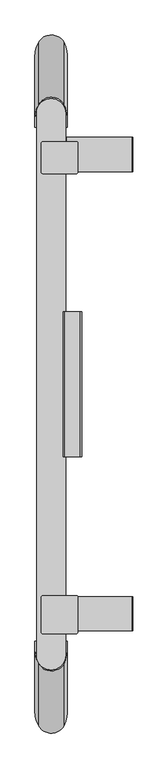
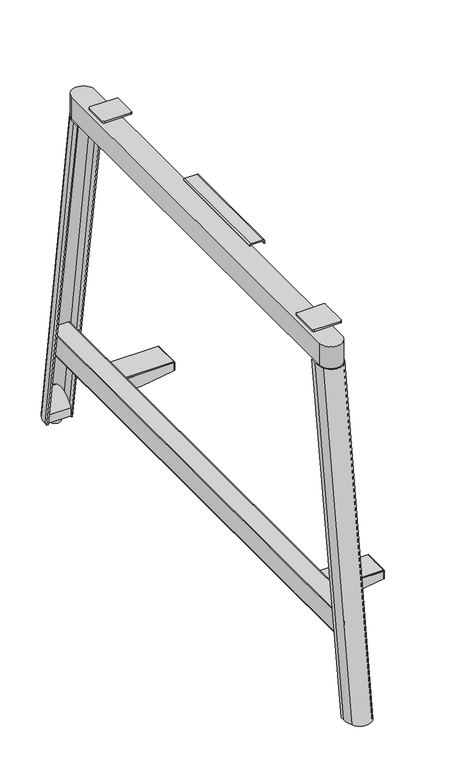
"""IFC4 building model written with IfcOpenShell, lengths in millimetres: furniture geometry."""

from ifc_helpers import new_model, si_unit, point, frame, frame_2d, origin, place, context, project, spatial, polyline, circle_curve, ellipse_curve, trimmed, segment, composite_curve, outline, extrude, source, transform, mapped, element, save
from ifc_brep_helpers import plane_surface, cylinder_surface, extruded_surface, advanced_brep


def furniture_5c460e32(model_context):
    return source(origin(), model_context, "Body", "SolidModel", [
        extrude(outline(polyline([(247.1098626, 204.7509062), (247.1098626, 71.0011458), (213.0002781, 71.0011458), (213.0002781, 120.0296955), (226.0006492, 204.7509062), (247.1098626, 204.7509062)])), frame((0.0, 477.7103427, 0.0), z_axis=(0.0, 1.0, 0.0), x_axis=(0.0, 0.0, 1.0)), (0.0, 0.0, 1.0), 2.5699868),
        extrude(outline(polyline([(247.1098626, 204.7509062), (247.1098626, 71.0011458), (213.0002781, 71.0011458), (213.0002781, 120.0296955), (226.0006492, 204.7509062), (247.1098626, 204.7509062)])), frame((0.0, 410.3119052, 0.0), z_axis=(0.0, 1.0, 0.0), x_axis=(0.0, 0.0, 1.0)), (0.0, 0.0, 1.0), 2.5976563),
        extrude(outline(composite_curve([segment(polyline([(249.9945153, 204.3893194), (249.9945153, 71.2790115)]), True, "CONTINUOUS"), segment(trimmed(circle_curve(frame_2d((247.3393732, 71.2790115)), 2.6551421), [point((249.9945153, 71.2790115))], [point((247.3393732, 68.6238694))], False, "CARTESIAN"), True, "CONTINUOUS"), segment(polyline([(247.3393732, 68.6238694), (215.1802751, 68.6238694)]), True, "CONTINUOUS"), segment(trimmed(circle_curve(frame_2d((215.1802751, 66.4438379)), 2.1800315), [point((215.1802751, 68.6238694))], [point((213.0002436, 66.4438379))], True, "CARTESIAN"), True, "CONTINUOUS"), segment(polyline([(213.0002436, 66.4438379), (213.0002436, 45.6962116), (211.1704919, 45.6962116), (211.1704919, 68.4397052)]), True, "CONTINUOUS"), segment(trimmed(circle_curve(frame_2d((213.7319325, 68.4397052)), 2.5614406), [point((211.1704919, 68.4397052))], [point((213.7319325, 71.0011458))], False, "CARTESIAN"), True, "CONTINUOUS"), segment(polyline([(213.7319325, 71.0011458), (247.1098626, 71.0011458), (247.1098626, 204.7509062), (226.0006492, 204.7509062), (226.0006492, 206.692303), (247.6915317, 206.692303)]), True, "CONTINUOUS"), segment(trimmed(circle_curve(frame_2d((247.6915317, 204.3893194)), 2.3029836), [point((247.6915317, 206.692303))], [point((249.9945153, 204.3893194))], False, "CARTESIAN"), True, "CONTINUOUS")], self_intersect=False)), frame((0.0, 410.3119052, 0.0), z_axis=(0.0, 1.0, 0.0), x_axis=(0.0, 0.0, 1.0)), (0.0, 0.0, 1.0), 69.9684243),
        extrude(outline(polyline([(247.1098626, 204.7509062), (247.1098626, 71.0011458), (213.0002781, 71.0011458), (213.0002781, 120.0296955), (226.0006492, 204.7509062), (247.1098626, 204.7509062)])), frame((0.0, -529.6861417, 0.0), z_axis=(0.0, 1.0, 0.0), x_axis=(0.0, 0.0, 1.0)), (0.0, 0.0, 1.0), 2.5976563),
        extrude(outline(polyline([(247.1098626, 204.7509062), (247.1098626, 71.0011458), (213.0002781, 71.0011458), (213.0002781, 120.0296955), (226.0006492, 204.7509062), (247.1098626, 204.7509062)])), frame((0.0, -462.2877042, 0.0), z_axis=(0.0, 1.0, 0.0), x_axis=(0.0, 0.0, 1.0)), (0.0, 0.0, 1.0), 2.5883215),
        extrude(outline(composite_curve([segment(polyline([(249.9945153, 204.3893194), (249.9945153, 71.2790115)]), True, "CONTINUOUS"), segment(trimmed(circle_curve(frame_2d((247.3393732, 71.2790115)), 2.6551421), [point((249.9945153, 71.2790115))], [point((247.3393732, 68.6238694))], False, "CARTESIAN"), True, "CONTINUOUS"), segment(polyline([(247.3393732, 68.6238694), (215.1802751, 68.6238694)]), True, "CONTINUOUS"), segment(trimmed(circle_curve(frame_2d((215.1802751, 66.4438379)), 2.1800315), [point((215.1802751, 68.6238694))], [point((213.0002436, 66.4438379))], True, "CARTESIAN"), True, "CONTINUOUS"), segment(polyline([(213.0002436, 66.4438379), (213.0002436, 45.6962116), (211.1704919, 45.6962116), (211.1704919, 68.4397052)]), True, "CONTINUOUS"), segment(trimmed(circle_curve(frame_2d((213.7319325, 68.4397052)), 2.5614406), [point((211.1704919, 68.4397052))], [point((213.7319325, 71.0011458))], False, "CARTESIAN"), True, "CONTINUOUS"), segment(polyline([(213.7319325, 71.0011458), (247.1098626, 71.0011458), (247.1098626, 204.7509062), (226.0006492, 204.7509062), (226.0006492, 206.692303), (247.6915317, 206.692303)]), True, "CONTINUOUS"), segment(trimmed(circle_curve(frame_2d((247.6915317, 204.3893194)), 2.3029836), [point((247.6915317, 206.692303))], [point((249.9945153, 204.3893194))], False, "CARTESIAN"), True, "CONTINUOUS")], self_intersect=False)), frame((0.0, -529.6861417, 0.0), z_axis=(0.0, 1.0, 0.0), x_axis=(0.0, 0.0, 1.0)), (0.0, 0.0, 1.0), 69.986759),
        extrude(outline(composite_curve([segment(trimmed(circle_curve(frame_2d((215.434677, 62.5655666)), 2.4344334), [point((213.0002436, 62.5655666))], [point((215.434677, 65.0))], False, "CARTESIAN"), True, "CONTINUOUS"), segment(polyline([(215.434677, 65.0), (271.0148288, 65.0)]), True, "CONTINUOUS"), segment(trimmed(circle_curve(frame_2d((271.0148288, 63.0151407)), 1.9848593), [point((271.0148288, 65.0))], [point((272.9996881, 63.0151407))], False, "CARTESIAN"), True, "CONTINUOUS"), segment(polyline([(272.9996881, 63.0151407), (272.9996881, 14.7788126)]), True, "CONTINUOUS"), segment(trimmed(circle_curve(frame_2d((270.8389791, 14.7788126)), 2.160709), [point((272.9996881, 14.7788126))], [point((270.8389791, 12.6181036))], False, "CARTESIAN"), True, "CONTINUOUS"), segment(polyline([(270.8389791, 12.6181036), (215.3933211, 12.6181036)]), True, "CONTINUOUS"), segment(trimmed(circle_curve(frame_2d((215.3933211, 15.0111811)), 2.3930774), [point((215.3933211, 12.6181036))], [point((213.0002436, 15.0111811))], False, "CARTESIAN"), True, "CONTINUOUS"), segment(polyline([(213.0002436, 15.0111811), (213.0002436, 62.5655666)]), True, "CONTINUOUS")], self_intersect=False)), frame((0.0, -685.1562811, 0.0), z_axis=(0.0, 1.0, 0.0), x_axis=(0.0, 0.0, 1.0)), (0.0, 0.0, 1.0), 1320.9375622),
        advanced_brep(
        [(6.0, 635.7812811, 9.9999392), (6.0, 645.7065799, 9.9999392), (12.3278754, 673.1778157, 9.9999392), (65.9903208, 673.7603717, 9.9999392), (72.000002, 648.907064, 9.9999392), (72.000002, 635.7812811, 9.9999392), (68.8203133, 635.7812811, 9.9999392), (68.8203133, 648.907064, 9.9999392), (64.8959051, 669.4877121, 9.9999392), (13.8271404, 669.176268, 9.9999392), (9.4999998, 645.7065799, 9.9999392), (9.4999998, 635.7812811, 9.9999392), (6.0, 501.0025911, 910.214177), (9.4999998, 501.0025911, 910.214177), (9.4999998, 518.2065799, 910.214177), (13.8271404, 541.676268, 910.214177), (64.8959051, 541.9877121, 910.214177), (68.8203133, 521.407064, 910.214177), (68.8203133, 501.0025911, 910.214177), (72.000002, 501.0025911, 910.214177), (72.000002, 521.407064, 910.214177), (65.9903208, 546.2603717, 910.214177), (12.3278754, 545.6778157, 910.214177), (6.0, 518.2065799, 910.214177)],
        [
            (0, 1),
            (1, 2, circle_curve(frame((68.794442, 645.7065799, 9.9999392), z_axis=(0.0, 0.0, -1.0), x_axis=(1.0, 0.0, 0.0)), 62.794442)),
            (2, 3, circle_curve(frame((39.3047374, 660.0534523, 9.9999392), z_axis=(0.0, 0.0, -1.0), x_axis=(1.0, 0.0, 0.0)), 30.0)),
            (3, 4, circle_curve(frame((17.6041738, 648.907064, 9.9999392), z_axis=(0.0, 0.0, -1.0), x_axis=(1.0, 0.0, 0.0)), 54.3958282)),
            (4, 5),
            (5, 6),
            (6, 7),
            (7, 8, circle_curve(frame((12.8928932, 648.907064, 9.9999392), z_axis=(0.0, 0.0, 1.0), x_axis=(1.0, 0.0, 0.0)), 55.9274201)),
            (8, 9, circle_curve(frame((39.4220553, 659.4062126, 9.9999392), z_axis=(0.0, 0.0, 1.0), x_axis=(1.0, 0.0, 0.0)), 27.3962343)),
            (9, 10, circle_curve(frame((75.3114051, 645.7065799, 9.9999392), z_axis=(0.0, 0.0, 1.0), x_axis=(1.0, 0.0, 0.0)), 65.8114053)),
            (10, 11),
            (11, 0),
            (12, 13),
            (13, 14),
            (14, 15, circle_curve(frame((75.3114051, 518.2065799, 910.214177), z_axis=(0.0, 0.0, -1.0), x_axis=(1.0, 0.0, 0.0)), 65.8114053)),
            (15, 16, circle_curve(frame((39.4220553, 531.9062126, 910.214177), z_axis=(0.0, 0.0, -1.0), x_axis=(1.0, 0.0, 0.0)), 27.3962343)),
            (16, 17, circle_curve(frame((12.8928932, 521.407064, 910.214177), z_axis=(0.0, 0.0, -1.0), x_axis=(1.0, 0.0, 0.0)), 55.9274201)),
            (17, 18),
            (18, 19),
            (19, 20),
            (20, 21, circle_curve(frame((17.6041738, 521.407064, 910.214177), z_axis=(0.0, 0.0, 1.0), x_axis=(1.0, 0.0, 0.0)), 54.3958282)),
            (21, 22, circle_curve(frame((39.3047374, 532.5534523, 910.214177), z_axis=(0.0, 0.0, 1.0), x_axis=(1.0, 0.0, 0.0)), 30.0)),
            (22, 23, circle_curve(frame((68.794442, 518.2065799, 910.214177), z_axis=(0.0, 0.0, 1.0), x_axis=(1.0, 0.0, 0.0)), 62.794442)),
            (23, 12),
            (13, 11),
            (10, 14),
            (9, 15),
            (8, 16),
            (7, 17),
            (6, 18),
            (19, 5),
            (4, 20),
            (3, 21),
            (2, 22),
            (1, 23),
            (0, 12),
        ],
        [
            plane_surface(frame((39.140156, 651.496215, 9.9999392), z_axis=(0.0, 0.0, -1.0), x_axis=(0.0, -1.0, 0.0))),
            plane_surface(frame((39.140156, 521.569985, 910.214177), z_axis=(0.0, 0.0, 1.0), x_axis=(0.0, -1.0, 0.0))),
            plane_surface(frame((9.4999998, 509.6045855, 910.214177), z_axis=(1.0, 0.0, 0.0), x_axis=(0.0, -1.0, 0.0))),
            extruded_surface(trimmed(circle_curve(frame((75.3114051, 518.2065799, 910.214177), z_axis=(0.0, 0.0, 1.0), x_axis=(1.0, 0.0, 0.0)), 65.8114053), [point((13.8271404, 541.676268, 910.214177))], [point((9.4999998, 518.2065799, 910.214177))], True, "CARTESIAN"), (0.0, 127.5, -900.2142378), 909.1985063438209),
            extruded_surface(trimmed(circle_curve(frame((39.4220553, 531.9062126, 910.214177), z_axis=(0.0, 0.0, 1.0), x_axis=(1.0, 0.0, 0.0)), 27.3962343), [point((64.8959051, 541.9877121, 910.214177))], [point((13.8271404, 541.676268, 910.214177))], True, "CARTESIAN"), (0.0, 127.5, -900.2142378), 909.1985063438209),
            extruded_surface(trimmed(circle_curve(frame((12.8928932, 521.407064, 910.214177), z_axis=(0.0, 0.0, 1.0), x_axis=(1.0, 0.0, 0.0)), 55.9274201), [point((68.8203133, 521.407064, 910.214177))], [point((64.8959051, 541.9877121, 910.214177))], True, "CARTESIAN"), (0.0, 127.5, -900.2142378), 909.1985063438209),
            plane_surface(frame((68.8203133, 511.2048276, 910.214177), z_axis=(-1.0, 0.0, 0.0), x_axis=(0.0, 1.0, 0.0))),
            plane_surface(frame((72.000002, 511.2048276, 910.214177), z_axis=(1.0, 0.0, 0.0), x_axis=(0.0, -1.0, 0.0))),
            extruded_surface(trimmed(circle_curve(frame((17.6041738, 521.407064, 910.214177), z_axis=(0.0, 0.0, -1.0), x_axis=(1.0, 0.0, 0.0)), 54.3958282), [point((65.9903208, 546.2603717, 910.214177))], [point((72.000002, 521.407064, 910.214177))], True, "CARTESIAN"), (0.0, 127.5, -900.2142378), 909.1985063438209),
            extruded_surface(trimmed(circle_curve(frame((39.3047374, 532.5534523, 910.214177), z_axis=(0.0, 0.0, -1.0), x_axis=(1.0, 0.0, 0.0)), 30.0), [point((12.3278754, 545.6778157, 910.214177))], [point((65.9903208, 546.2603717, 910.214177))], True, "CARTESIAN"), (0.0, 127.5, -900.2142378), 909.1985063438209),
            extruded_surface(trimmed(circle_curve(frame((68.794442, 518.2065799, 910.214177), z_axis=(0.0, 0.0, -1.0), x_axis=(1.0, 0.0, 0.0)), 62.794442), [point((6.0, 518.2065799, 910.214177))], [point((12.3278754, 545.6778157, 910.214177))], True, "CARTESIAN"), (0.0, 127.5, -900.2142378), 909.1985063438209),
            plane_surface(frame((6.0, 509.6045855, 910.214177), z_axis=(-1.0, 0.0, 0.0), x_axis=(0.0, 1.0, 0.0))),
            plane_surface(frame((70.4101576, 501.0025911, 910.214177), z_axis=(0.0, -0.9889771617216371, -0.14806813834520582), x_axis=(-1.0, 0.0, 0.0))),
            plane_surface(frame((7.7499999, 501.0025911, 910.214177), z_axis=(0.0, -0.9889771617216371, -0.14806813834520582), x_axis=(-1.0, 0.0, 0.0))),
        ],
        [
            (0, [[1, 2, 3, 4, 5, 6, 7, 8, 9, 10, 11, 12]]),
            (1, [[13, 14, 15, 16, 17, 18, 19, 20, 21, 22, 23, 24]]),
            (2, [[-14, 25, -11, 26]]),
            (3, [[-15, -26, -10, 27]]),
            (4, [[-16, -27, -9, 28]]),
            (5, [[-17, -28, -8, 29]]),
            (6, [[-18, -29, -7, 30]]),
            (7, [[-20, 31, -5, 32]]),
            (8, [[-21, -32, -4, 33]]),
            (9, [[-22, -33, -3, 34]]),
            (10, [[-23, -34, -2, 35]]),
            (11, [[-24, -35, -1, 36]]),
            (12, [[-19, -30, -6, -31]]),
            (13, [[-13, -36, -12, -25]]),
        ],
    ),
        advanced_brep(
        [(54.0138053, 672.6924459, 83.9457941), (24.3065078, 672.6924459, 83.9457941), (68.8203133, 635.7812811, 13.8007201), (9.4999998, 635.7812811, 13.8007201), (9.4999998, 647.0196194, 13.8007201), (68.8203133, 647.0196194, 13.8007201), (68.8203133, 647.0196194, 49.8768028), (68.8203133, 635.7812811, 34.9630241), (9.4999998, 647.0196194, 49.8768028), (9.4999998, 635.7812811, 34.9630241)],
        [
            (0, 1, circle_curve(frame((39.1601565, 647.0196194, 83.9457941), z_axis=(0.0, 0.0, 1.0), x_axis=(1.0, 0.0, 0.0)), 29.6601567)),
            (1, 0),
            (2, 3),
            (3, 4),
            (4, 5, circle_curve(frame((39.1601565, 647.0196194, 13.8007201), z_axis=(0.0, 0.0, -1.0), x_axis=(1.0, 0.0, 0.0)), 29.6601567)),
            (5, 2),
            (5, 6),
            (6, 7),
            (7, 2),
            (4, 8),
            (8, 1, ellipse_curve(frame((39.1601565, 647.0196194, 49.8768028), z_axis=(0.0, 0.7986355100473013, -0.6018150231520372), x_axis=(0.0, 0.6018150231520372, 0.7986355100473012)), 49.284507, 29.6601567)),
            (0, 6, ellipse_curve(frame((39.1601565, 647.0196194, 49.8768028), z_axis=(0.0, 0.7986355100473013, -0.6018150231520372), x_axis=(0.0, 0.6018150231520372, 0.7986355100473012)), 49.284507, 29.6601567)),
            (3, 9),
            (9, 8),
            (7, 9),
        ],
        [
            plane_surface(frame((9.4999998, -684.1310312, 83.9457941), z_axis=(0.0, 0.0, 1.0), x_axis=(-1.0, 0.0, 0.0))),
            plane_surface(frame((9.4999998, -684.1310312, 13.8007201), z_axis=(0.0, 0.0, -1.0), x_axis=(1.0, 0.0, 0.0))),
            plane_surface(frame((68.8203133, 635.7812811, 83.9457941), z_axis=(1.0, 0.0, 0.0), x_axis=(0.0, 0.0, -1.0))),
            cylinder_surface(frame((39.1601565, 647.0196194, 0.0), z_axis=(0.0, 0.0, 1.0), x_axis=(1.0, 0.0, 0.0)), 29.6601567),
            plane_surface(frame((9.4999998, 647.0196194, 83.9457941), z_axis=(-1.0, 0.0, 0.0), x_axis=(0.0, 0.0, -1.0))),
            plane_surface(frame((9.4999998, 635.7812811, 83.9457941), z_axis=(0.0, -1.0, 0.0), x_axis=(0.0, 0.0, -1.0))),
            plane_surface(frame((78.517827, 628.0791209, 24.7419123), z_axis=(0.0, -0.7986355100473013, 0.6018150231520372), x_axis=(-1.0, 0.0, 0.0))),
        ],
        [
            (0, [[1, 2]]),
            (1, [[3, 4, 5, 6]]),
            (2, [[-6, 7, 8, 9]]),
            (3, [[-5, 10, 11, -1, 12, -7]]),
            (4, [[-4, 13, 14, -10]]),
            (5, [[-3, -9, 15, -13]]),
            (6, [[-2, -11, -14, -15, -8, -12]]),
        ],
    ),
        advanced_brep(
        [(25.4867952, -722.0674459, 83.9457941), (52.8335179, -722.0674459, 83.9457941), (68.8203133, -684.1310312, 13.8007201), (68.8203133, -695.7470339, 13.8007201), (9.4999998, -695.7470339, 13.8007201), (9.4999998, -684.1310312, 13.8007201), (9.4999998, -684.1310312, 33.6024715), (68.8203133, -684.1310312, 33.6024715), (9.4999998, -695.7470339, 49.0174277), (68.8203133, -695.7470339, 49.0174277)],
        [
            (0, 1, circle_curve(frame((39.1601565, -695.7470339, 83.9457941), z_axis=(0.0, 0.0, 1.0), x_axis=(1.0, 0.0, 0.0)), 29.6601567)),
            (1, 0),
            (2, 3),
            (3, 4, circle_curve(frame((39.1601565, -695.7470339, 13.8007201), z_axis=(0.0, 0.0, -1.0), x_axis=(1.0, 0.0, 0.0)), 29.6601567)),
            (4, 5),
            (5, 2),
            (5, 6),
            (6, 7),
            (7, 2),
            (4, 8),
            (8, 6),
            (3, 9),
            (9, 1, ellipse_curve(frame((39.1601565, -695.7470339, 49.0174277), z_axis=(0.0, -0.7986355100473009, -0.6018150231520376), x_axis=(0.0, -0.6018150231520377, 0.7986355100473009)), 49.284507, 29.6601567)),
            (0, 8, ellipse_curve(frame((39.1601565, -695.7470339, 49.0174277), z_axis=(0.0, -0.7986355100473009, -0.6018150231520376), x_axis=(0.0, -0.6018150231520377, 0.7986355100473009)), 49.284507, 29.6601567)),
            (7, 9),
        ],
        [
            plane_surface(frame((9.4999998, -684.1310312, 83.9457941), z_axis=(0.0, 0.0, 1.0), x_axis=(-1.0, 0.0, 0.0))),
            plane_surface(frame((9.4999998, -684.1310312, 13.8007201), z_axis=(0.0, 0.0, -1.0), x_axis=(1.0, 0.0, 0.0))),
            plane_surface(frame((68.8203133, -684.1310312, 83.9457941), z_axis=(0.0, 1.0, 0.0), x_axis=(0.0, 0.0, -1.0))),
            plane_surface(frame((9.4999998, -684.1310312, 83.9457941), z_axis=(-1.0, 0.0, 0.0), x_axis=(0.0, 0.0, -1.0))),
            cylinder_surface(frame((39.1601565, -695.7470339, 13.8007201), z_axis=(0.0, 0.0, 1.0), x_axis=(1.0, 0.0, 0.0)), 29.6601567),
            plane_surface(frame((68.8203133, -695.7470339, 83.9457941), z_axis=(1.0, 0.0, 0.0), x_axis=(0.0, 0.0, -1.0))),
            plane_surface(frame((78.517827, -725.5993228, 88.6327531), z_axis=(0.0, 0.7986355100473009, 0.6018150231520376), x_axis=(-1.0, 0.0, 0.0))),
        ],
        [
            (0, [[1, 2]]),
            (1, [[3, 4, 5, 6]]),
            (2, [[-6, 7, 8, 9]]),
            (3, [[-5, 10, 11, -7]]),
            (4, [[-4, 12, 13, -1, 14, -10]]),
            (5, [[-3, -9, 15, -12]]),
            (6, [[-2, -13, -15, -8, -11, -14]]),
        ],
    ),
        advanced_brep(
        [(39.0898793, -706.575, 0.0), (24.8827886, -706.575, 0.0), (53.2969699, -706.575, 0.0), (24.8827886, -706.575, 8.4999997), (53.2969699, -706.575, 8.4999997), (34.0654403, -706.575, 8.4999997), (44.1143182, -706.575, 8.4999997), (34.0654403, -706.575, 16.425781), (44.1143182, -706.575, 16.425781), (39.0898793, -706.575, 16.425781)],
        [
            (0, 1),
            (1, 2, circle_curve(frame((39.0898793, -706.575, 0.0), z_axis=(0.0, 0.0, -1.0), x_axis=(-1.0, 0.0, 0.0)), 14.2070907)),
            (2, 0),
            (2, 1, circle_curve(frame((39.0898793, -706.575, 0.0), z_axis=(0.0, 0.0, -1.0), x_axis=(-1.0, 0.0, 0.0)), 14.2070907)),
            (1, 3),
            (3, 4, circle_curve(frame((39.0898793, -706.575, 8.4999997), z_axis=(0.0, 0.0, -1.0), x_axis=(-1.0, 0.0, 0.0)), 14.2070907)),
            (4, 2),
            (4, 3, circle_curve(frame((39.0898793, -706.575, 8.4999997), z_axis=(0.0, 0.0, -1.0), x_axis=(-1.0, 0.0, 0.0)), 14.2070907)),
            (3, 5),
            (5, 6, circle_curve(frame((39.0898793, -706.575, 8.4999997), z_axis=(0.0, 0.0, -1.0), x_axis=(-1.0, 0.0, 0.0)), 5.024439)),
            (6, 4),
            (6, 5, circle_curve(frame((39.0898793, -706.575, 8.4999997), z_axis=(0.0, 0.0, -1.0), x_axis=(-1.0, 0.0, 0.0)), 5.024439)),
            (5, 7),
            (7, 8, circle_curve(frame((39.0898793, -706.575, 16.425781), z_axis=(0.0, 0.0, -1.0), x_axis=(-1.0, 0.0, 0.0)), 5.024439)),
            (8, 6),
            (8, 7, circle_curve(frame((39.0898793, -706.575, 16.425781), z_axis=(0.0, 0.0, -1.0), x_axis=(-1.0, 0.0, 0.0)), 5.024439)),
            (7, 9),
            (9, 8),
        ],
        [
            plane_surface(frame((39.0898793, -706.575, 0.0), z_axis=(0.0, 0.0, -1.0), x_axis=(-1.0, 0.0, 0.0))),
            cylinder_surface(frame((39.0898793, -706.575, 16.425781), z_axis=(0.0, 0.0, -1.0), x_axis=(-1.0, 0.0, 0.0)), 14.2070907),
            plane_surface(frame((39.0898793, -706.575, 8.4999997), z_axis=(0.0, 0.0, 1.0), x_axis=(-1.0, 0.0, 0.0))),
            cylinder_surface(frame((39.0898793, -706.575, 16.425781), z_axis=(0.0, 0.0, -1.0), x_axis=(-1.0, 0.0, 0.0)), 5.024439),
            plane_surface(frame((39.0898793, -706.575, 16.425781), z_axis=(0.0, 0.0, 1.0), x_axis=(-1.0, 0.0, 0.0))),
        ],
        [
            (0, [[1, 2, 3]]),
            (0, [[-3, 4, -1]]),
            (1, [[-2, 5, 6, 7]]),
            (1, [[-4, -7, 8, -5]]),
            (2, [[-6, 9, 10, 11]]),
            (2, [[-8, -11, 12, -9]]),
            (3, [[-10, 13, 14, 15]]),
            (3, [[-12, -15, 16, -13]]),
            (4, [[-14, 17, 18]]),
            (4, [[-16, -18, -17]]),
        ],
    ),
        advanced_brep(
        [(53.2969699, 657.2, 0.0), (24.8827886, 657.2, 0.0), (39.0898793, 657.2, 0.0), (53.2969699, 657.2, 8.4999997), (24.8827886, 657.2, 8.4999997), (44.1143182, 657.2, 8.4999997), (34.0654403, 657.2, 8.4999997), (44.1143182, 657.2, 16.425781), (34.0654403, 657.2, 16.425781), (39.0898793, 657.2, 16.425781)],
        [
            (0, 1, circle_curve(frame((39.0898793, 657.2, 0.0), z_axis=(0.0, 0.0, -1.0), x_axis=(-1.0, 0.0, 0.0)), 14.2070907)),
            (1, 2),
            (2, 0),
            (1, 0, circle_curve(frame((39.0898793, 657.2, 0.0), z_axis=(0.0, 0.0, -1.0), x_axis=(-1.0, 0.0, 0.0)), 14.2070907)),
            (3, 4, circle_curve(frame((39.0898793, 657.2, 8.4999997), z_axis=(0.0, 0.0, -1.0), x_axis=(-1.0, 0.0, 0.0)), 14.2070907)),
            (4, 1),
            (0, 3),
            (4, 3, circle_curve(frame((39.0898793, 657.2, 8.4999997), z_axis=(0.0, 0.0, -1.0), x_axis=(-1.0, 0.0, 0.0)), 14.2070907)),
            (5, 6, circle_curve(frame((39.0898793, 657.2, 8.4999997), z_axis=(0.0, 0.0, -1.0), x_axis=(-1.0, 0.0, 0.0)), 5.024439)),
            (6, 4),
            (3, 5),
            (6, 5, circle_curve(frame((39.0898793, 657.2, 8.4999997), z_axis=(0.0, 0.0, -1.0), x_axis=(-1.0, 0.0, 0.0)), 5.024439)),
            (7, 8, circle_curve(frame((39.0898793, 657.2, 16.425781), z_axis=(0.0, 0.0, -1.0), x_axis=(-1.0, 0.0, 0.0)), 5.024439)),
            (8, 6),
            (5, 7),
            (8, 7, circle_curve(frame((39.0898793, 657.2, 16.425781), z_axis=(0.0, 0.0, -1.0), x_axis=(-1.0, 0.0, 0.0)), 5.024439)),
            (9, 8),
            (7, 9),
        ],
        [
            plane_surface(frame((39.0898793, 657.2, 0.0), z_axis=(0.0, 0.0, -1.0), x_axis=(-1.0, 0.0, 0.0))),
            cylinder_surface(frame((39.0898793, 657.2, 16.425781), z_axis=(0.0, 0.0, 1.0), x_axis=(-1.0, 0.0, 0.0)), 14.2070907),
            plane_surface(frame((39.0898793, 657.2, 8.4999997), z_axis=(0.0, 0.0, 1.0), x_axis=(-1.0, 0.0, 0.0))),
            cylinder_surface(frame((39.0898793, 657.2, 16.425781), z_axis=(0.0, 0.0, 1.0), x_axis=(-1.0, 0.0, 0.0)), 5.024439),
            plane_surface(frame((39.0898793, 657.2, 16.425781), z_axis=(0.0, 0.0, 1.0), x_axis=(-1.0, 0.0, 0.0))),
        ],
        [
            (0, [[1, 2, 3]]),
            (0, [[4, -3, -2]]),
            (1, [[5, 6, -1, 7]]),
            (1, [[8, -7, -4, -6]]),
            (2, [[9, 10, -5, 11]]),
            (2, [[12, -11, -8, -10]]),
            (3, [[13, 14, -9, 15]]),
            (3, [[16, -15, -12, -14]]),
            (4, [[17, -13, 18]]),
            (4, [[-18, -16, -17]]),
        ],
    ),
        advanced_brep(
        [(6.0, -685.1562811, 9.9999392), (9.4999998, -685.1562811, 9.9999392), (9.4999998, -694.4339943, 9.9999392), (13.8271404, -717.9036824, 9.9999392), (64.8959051, -718.2151265, 9.9999392), (68.8203133, -697.6344785, 9.9999392), (68.8203133, -685.1562811, 9.9999392), (72.000002, -685.1562811, 9.9999392), (72.000002, -697.6344785, 9.9999392), (65.9903208, -722.4877861, 9.9999392), (12.3278754, -721.9052302, 9.9999392), (6.0, -694.4339943, 9.9999392), (6.0, -551.0025911, 910.214177), (6.0, -567.5589943, 910.214177), (12.3278754, -595.0302302, 910.214177), (65.9903208, -595.6127861, 910.214177), (72.000002, -570.7594785, 910.214177), (72.000002, -551.0025911, 910.214177), (68.8203133, -551.0025911, 910.214177), (68.8203133, -570.7594785, 910.214177), (64.8959051, -591.3401265, 910.214177), (13.8271404, -591.0286824, 910.214177), (9.4999998, -567.5589943, 910.214177), (9.4999998, -551.0025911, 910.214177)],
        [
            (0, 1),
            (1, 2),
            (2, 3, circle_curve(frame((75.3114051, -694.4339943, 9.9999392), z_axis=(0.0, 0.0, 1.0), x_axis=(1.0, 0.0, 0.0)), 65.8114053)),
            (3, 4, circle_curve(frame((39.4220553, -708.1336271, 9.9999392), z_axis=(0.0, 0.0, 1.0), x_axis=(1.0, 0.0, 0.0)), 27.3962343)),
            (4, 5, circle_curve(frame((12.8928932, -697.6344785, 9.9999392), z_axis=(0.0, 0.0, 1.0), x_axis=(1.0, 0.0, 0.0)), 55.9274201)),
            (5, 6),
            (6, 7),
            (7, 8),
            (8, 9, circle_curve(frame((17.6041738, -697.6344785, 9.9999392), z_axis=(0.0, 0.0, -1.0), x_axis=(1.0, 0.0, 0.0)), 54.3958282)),
            (9, 10, circle_curve(frame((39.3047374, -708.7808668, 9.9999392), z_axis=(0.0, 0.0, -1.0), x_axis=(1.0, 0.0, 0.0)), 30.0)),
            (10, 11, circle_curve(frame((68.794442, -694.4339943, 9.9999392), z_axis=(0.0, 0.0, -1.0), x_axis=(1.0, 0.0, 0.0)), 62.794442)),
            (11, 0),
            (12, 13),
            (13, 14, circle_curve(frame((68.794442, -567.5589943, 910.214177), z_axis=(0.0, 0.0, 1.0), x_axis=(1.0, 0.0, 0.0)), 62.794442)),
            (14, 15, circle_curve(frame((39.3047374, -581.9058668, 910.214177), z_axis=(0.0, 0.0, 1.0), x_axis=(1.0, 0.0, 0.0)), 30.0)),
            (15, 16, circle_curve(frame((17.6041738, -570.7594785, 910.214177), z_axis=(0.0, 0.0, 1.0), x_axis=(1.0, 0.0, 0.0)), 54.3958282)),
            (16, 17),
            (17, 18),
            (18, 19),
            (19, 20, circle_curve(frame((12.8928932, -570.7594785, 910.214177), z_axis=(0.0, 0.0, -1.0), x_axis=(1.0, 0.0, 0.0)), 55.9274201)),
            (20, 21, circle_curve(frame((39.4220553, -581.2586271, 910.214177), z_axis=(0.0, 0.0, -1.0), x_axis=(1.0, 0.0, 0.0)), 27.3962343)),
            (21, 22, circle_curve(frame((75.3114051, -567.5589943, 910.214177), z_axis=(0.0, 0.0, -1.0), x_axis=(1.0, 0.0, 0.0)), 65.8114053)),
            (22, 23),
            (23, 12),
            (22, 2),
            (1, 23),
            (21, 3),
            (20, 4),
            (19, 5),
            (18, 6),
            (16, 8),
            (7, 17),
            (15, 9),
            (14, 10),
            (13, 11),
            (12, 0),
        ],
        [
            plane_surface(frame((39.140156, -700.4394913, 9.9999392), z_axis=(0.0, 0.0, -1.0), x_axis=(0.0, -1.0, 0.0))),
            plane_surface(frame((39.140156, -571.1382613, 910.214177), z_axis=(0.0, 0.0, 1.0), x_axis=(0.0, -1.0, 0.0))),
            plane_surface(frame((9.4999998, -559.2807927, 910.214177), z_axis=(1.0, 0.0, 0.0), x_axis=(0.0, -1.0, 0.0))),
            extruded_surface(trimmed(circle_curve(frame((75.3114051, -567.5589943, 910.214177), z_axis=(0.0, 0.0, 1.0), x_axis=(1.0, 0.0, 0.0)), 65.8114053), [point((9.4999998, -567.5589943, 910.214177))], [point((13.8271404, -591.0286824, 910.214177))], True, "CARTESIAN"), (0.0, -126.875, -900.2142378), 909.1110710814355),
            extruded_surface(trimmed(circle_curve(frame((39.4220553, -581.2586271, 910.214177), z_axis=(0.0, 0.0, 1.0), x_axis=(1.0, 0.0, 0.0)), 27.3962343), [point((13.8271404, -591.0286824, 910.214177))], [point((64.8959051, -591.3401265, 910.214177))], True, "CARTESIAN"), (0.0, -126.875, -900.2142378), 909.1110710814355),
            extruded_surface(trimmed(circle_curve(frame((12.8928932, -570.7594785, 910.214177), z_axis=(0.0, 0.0, 1.0), x_axis=(1.0, 0.0, 0.0)), 55.9274201), [point((64.8959051, -591.3401265, 910.214177))], [point((68.8203133, -570.7594785, 910.214177))], True, "CARTESIAN"), (0.0, -126.875, -900.2142378), 909.1110710814355),
            plane_surface(frame((68.8203133, -560.8810348, 910.214177), z_axis=(-1.0, 0.0, 0.0), x_axis=(0.0, 1.0, 0.0))),
            plane_surface(frame((72.000002, -560.8810348, 910.214177), z_axis=(1.0, 0.0, 0.0), x_axis=(0.0, -1.0, 0.0))),
            extruded_surface(trimmed(circle_curve(frame((17.6041738, -570.7594785, 910.214177), z_axis=(0.0, 0.0, -1.0), x_axis=(1.0, 0.0, 0.0)), 54.3958282), [point((72.000002, -570.7594785, 910.214177))], [point((65.9903208, -595.6127861, 910.214177))], True, "CARTESIAN"), (0.0, -126.875, -900.2142378), 909.1110710814355),
            extruded_surface(trimmed(circle_curve(frame((39.3047374, -581.9058668, 910.214177), z_axis=(0.0, 0.0, -1.0), x_axis=(1.0, 0.0, 0.0)), 30.0), [point((65.9903208, -595.6127861, 910.214177))], [point((12.3278754, -595.0302302, 910.214177))], True, "CARTESIAN"), (0.0, -126.875, -900.2142378), 909.1110710814355),
            extruded_surface(trimmed(circle_curve(frame((68.794442, -567.5589943, 910.214177), z_axis=(0.0, 0.0, -1.0), x_axis=(1.0, 0.0, 0.0)), 62.794442), [point((12.3278754, -595.0302302, 910.214177))], [point((6.0, -567.5589943, 910.214177))], True, "CARTESIAN"), (0.0, -126.875, -900.2142378), 909.1110710814355),
            plane_surface(frame((6.0, -559.2807927, 910.214177), z_axis=(-1.0, 0.0, 0.0), x_axis=(0.0, 1.0, 0.0))),
            plane_surface(frame((70.4101576, -551.0025911, 910.214177), z_axis=(0.0, 0.989077490663743, -0.14739646353394498), x_axis=(1.0, 0.0, 0.0))),
            plane_surface(frame((7.7499999, -551.0025911, 910.214177), z_axis=(0.0, 0.989077490663743, -0.14739646353394498), x_axis=(1.0, 0.0, 0.0))),
        ],
        [
            (0, [[1, 2, 3, 4, 5, 6, 7, 8, 9, 10, 11, 12]]),
            (1, [[13, 14, 15, 16, 17, 18, 19, 20, 21, 22, 23, 24]]),
            (2, [[-23, 25, -2, 26]]),
            (3, [[-22, 27, -3, -25]]),
            (4, [[-21, 28, -4, -27]]),
            (5, [[-20, 29, -5, -28]]),
            (6, [[-19, 30, -6, -29]]),
            (7, [[-17, 31, -8, 32]]),
            (8, [[-16, 33, -9, -31]]),
            (9, [[-15, 34, -10, -33]]),
            (10, [[-14, 35, -11, -34]]),
            (11, [[-13, 36, -12, -35]]),
            (12, [[-18, -32, -7, -30]]),
            (13, [[-24, -26, -1, -36]]),
        ],
    ),
        extrude(outline(composite_curve([segment(polyline([(964.9999762, 101.9999968), (972.2639206, 101.9999968)]), True, "CONTINUOUS"), segment(trimmed(circle_curve(frame_2d((972.2639206, 99.2639174)), 2.7360794), [point((972.2639206, 101.9999968))], [point((975.0, 99.2639174))], False, "CARTESIAN"), True, "CONTINUOUS"), segment(polyline([(975.0, 99.2639174), (975.0, 67.4243659)]), True, "CONTINUOUS"), segment(trimmed(circle_curve(frame_2d((971.5717269, 67.4243659)), 3.4282731), [point((975.0, 67.4243659))], [point((971.5717269, 63.9960928))], False, "CARTESIAN"), True, "CONTINUOUS"), segment(polyline([(971.5717269, 63.9960928), (939.9999033, 63.9960928), (939.9999033, 66.0000003), (971.8821336, 66.0000003)]), True, "CONTINUOUS"), segment(trimmed(circle_curve(frame_2d((971.8821336, 67.1177906)), 1.1177903), [point((971.8821336, 66.0000003))], [point((972.9999239, 67.1177906))], True, "CARTESIAN"), True, "CONTINUOUS"), segment(polyline([(972.9999239, 67.1177906), (972.9999239, 99.3771905)]), True, "CONTINUOUS"), segment(trimmed(circle_curve(frame_2d((972.3771136, 99.3771905)), 0.6228103), [point((972.9999239, 99.3771905))], [point((972.3771136, 100.0000008))], True, "CARTESIAN"), True, "CONTINUOUS"), segment(polyline([(972.3771136, 100.0000008), (964.9999762, 100.0000008), (964.9999762, 101.9999968)]), True, "CONTINUOUS")], self_intersect=False)), frame((0.0, -173.7072561, 0.0), z_axis=(0.0, 1.0, 0.0), x_axis=(0.0, 0.0, 1.0)), (0.0, 0.0, 1.0), 297.4145122),
        extrude(outline(composite_curve([segment(trimmed(circle_curve(frame_2d((90.5088092, 468.0613339)), 3.4951004), [point((90.5088092, 471.5564343))], [point((94.0039096, 468.0613339))], False, "CARTESIAN"), True, "CONTINUOUS"), segment(polyline([(94.0039096, 468.0613339), (94.0039096, 409.5564425)]), True, "CONTINUOUS"), segment(trimmed(circle_curve(frame_2d((90.5039096, 409.5564425)), 3.5), [point((94.0039096, 409.5564425))], [point((90.5039096, 406.0564425))], False, "CARTESIAN"), True, "CONTINUOUS"), segment(polyline([(90.5039096, 406.0564425), (22.5039068, 406.0564425)]), True, "CONTINUOUS"), segment(trimmed(circle_curve(frame_2d((22.5039068, 409.5564425)), 3.5), [point((22.5039068, 406.0564425))], [point((19.0039068, 409.5564425))], False, "CARTESIAN"), True, "CONTINUOUS"), segment(polyline([(19.0039068, 409.5564425), (19.0039068, 468.0564343)]), True, "CONTINUOUS"), segment(trimmed(circle_curve(frame_2d((22.5039068, 468.0564343)), 3.5), [point((19.0039068, 468.0564343))], [point((22.5039068, 471.5564343))], False, "CARTESIAN"), True, "CONTINUOUS"), segment(polyline([(22.5039068, 471.5564343), (90.5088092, 471.5564343)]), True, "CONTINUOUS")], self_intersect=False)), frame((0.0, 0.0, 970.0045622), z_axis=(0.0, 0.0, 1.0), x_axis=(1.0, 0.0, 0.0)), (0.0, 0.0, 1.0), 4.9954378),
        extrude(outline(composite_curve([segment(polyline([(90.5088092, -535.3064343), (22.5039068, -535.3064343)]), True, "CONTINUOUS"), segment(trimmed(circle_curve(frame_2d((22.5039068, -531.8064343)), 3.5), [point((22.5039068, -535.3064343))], [point((19.0039068, -531.8064343))], False, "CARTESIAN"), True, "CONTINUOUS"), segment(polyline([(19.0039068, -531.8064343), (19.0039068, -460.8064425)]), True, "CONTINUOUS"), segment(trimmed(circle_curve(frame_2d((22.5039068, -460.8064425)), 3.5), [point((19.0039068, -460.8064425))], [point((22.5039068, -457.3064425))], False, "CARTESIAN"), True, "CONTINUOUS"), segment(polyline([(22.5039068, -457.3064425), (90.5039096, -457.3064425)]), True, "CONTINUOUS"), segment(trimmed(circle_curve(frame_2d((90.5039096, -460.8064425)), 3.5), [point((90.5039096, -457.3064425))], [point((94.0039096, -460.8064425))], False, "CARTESIAN"), True, "CONTINUOUS"), segment(polyline([(94.0039096, -460.8064425), (94.0039096, -531.8113339)]), True, "CONTINUOUS"), segment(trimmed(circle_curve(frame_2d((90.5088092, -531.8113339)), 3.4951004), [point((94.0039096, -531.8113339))], [point((90.5088092, -535.3064343))], False, "CARTESIAN"), True, "CONTINUOUS")], self_intersect=False)), frame((0.0, 0.0, 970.0045622), z_axis=(0.0, 0.0, 1.0), x_axis=(1.0, 0.0, 0.0)), (0.0, 0.0, 1.0), 4.9954378),
        extrude(outline(composite_curve([segment(trimmed(circle_curve(frame_2d((39.1601565, 530.017596)), 29.6601567), [point((9.4999998, 530.017596))], [point((68.8203133, 530.017596))], False, "CARTESIAN"), True, "CONTINUOUS"), segment(polyline([(68.8203133, 530.017596), (68.8203133, -579.5794427)]), True, "CONTINUOUS"), segment(trimmed(circle_curve(frame_2d((39.1601565, -579.5794427)), 29.6601567), [point((68.8203133, -579.5794427))], [point((9.4999998, -579.5794427))], False, "CARTESIAN"), True, "CONTINUOUS"), segment(polyline([(9.4999998, -579.5794427), (9.4999998, 530.017596)]), True, "CONTINUOUS")], self_intersect=False)), frame((0.0, 0.0, 910.214177), z_axis=(0.0, 0.0, 1.0), x_axis=(1.0, 0.0, 0.0)), (0.0, 0.0, 1.0), 59.7903852),
    ])


if __name__ == "__main__":
    model = new_model("IFC4")
    model_context = context("Model", 3, world=origin())
    ifc_project = project(units=[si_unit("LENGTHUNIT", "METRE", prefix="MILLI")], contexts=[model_context])
    site = spatial("IfcSite", under=ifc_project)
    building = spatial("IfcBuilding", under=site)
    placement = place(None, origin())
    furniture_shape = furniture_5c460e32(model_context)
    element("IfcFurniture", 1, at=placement, inside=building, context=model_context, shape_type="MappedRepresentation", body=[
        mapped(furniture_shape, transform((0.0, 0.0, 0.0), x_axis=(1.0, 0.0, 0.0), y_axis=(0.0, 1.0, 0.0), z_axis=(0.0, 0.0, 1.0))),
    ])
    save(model, "model.ifc")
